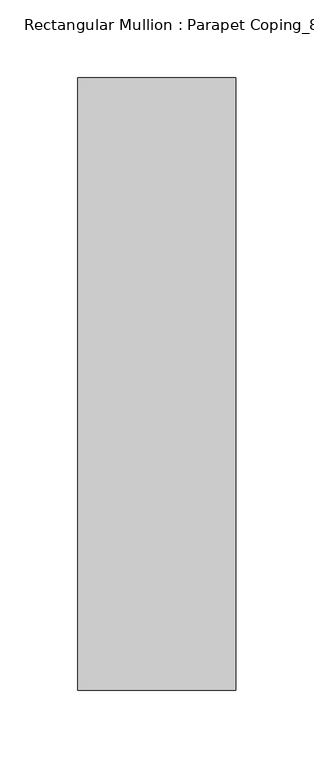
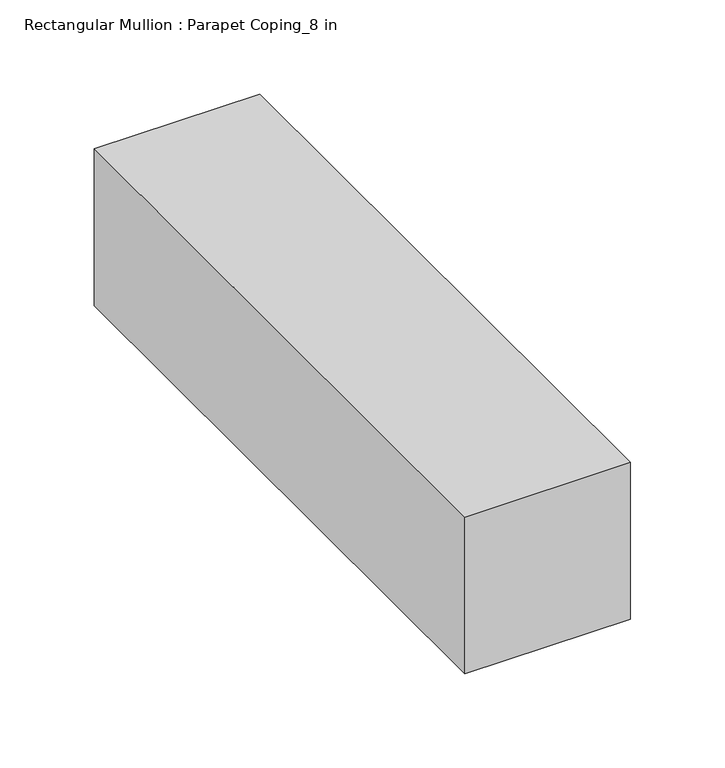
"""IFC4 building model written with IfcOpenShell, lengths in millimetres: member geometry, Rectangular Mullion : Parapet Coping_8 in."""

from ifc_helpers import new_model, si_unit, frame, origin, place, context, project, spatial, polyline, outline, extrude, source, transform, mapped, element, save


def rectangular_mullion_parapet_coping_8_in_cdf0a3d5(model_context):
    return source(origin(), model_context, "Body", "SweptSolid", [
        extrude(outline(polyline([(-101.6, -190.5), (-101.6, 203.2), (0.0, 203.2), (0.0, -190.5), (-101.6, -190.5)])), frame((0.0, 0.0, -101.6), z_axis=(0.0, 0.0, 1.0), x_axis=(1.0, 0.0, 0.0)), (0.0, 0.0, 1.0), 101.6),
    ])


if __name__ == "__main__":
    model = new_model("IFC4")
    model_context = context("Model", 3, world=origin())
    ifc_project = project(units=[si_unit("LENGTHUNIT", "METRE", prefix="MILLI")], contexts=[model_context])
    site = spatial("IfcSite", under=ifc_project)
    building = spatial("IfcBuilding", under=site)
    placement = place(None, origin())
    rectangular_mullion_parapet_coping_8_in_shape = rectangular_mullion_parapet_coping_8_in_cdf0a3d5(model_context)
    element("IfcMember", 1, ObjectType="Rectangular Mullion : Parapet Coping_8 in", at=placement, inside=building, context=model_context, shape_type="MappedRepresentation", body=[
        mapped(rectangular_mullion_parapet_coping_8_in_shape, transform((0.0, 0.0, 0.0), x_axis=(1.0, 0.0, 0.0), y_axis=(0.0, 1.0, 0.0), z_axis=(0.0, 0.0, 1.0))),
    ])
    save(model, "model.ifc")
